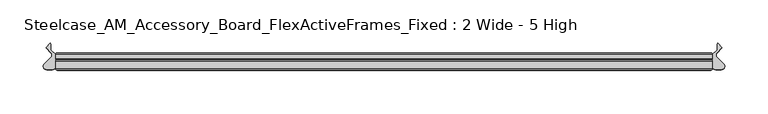
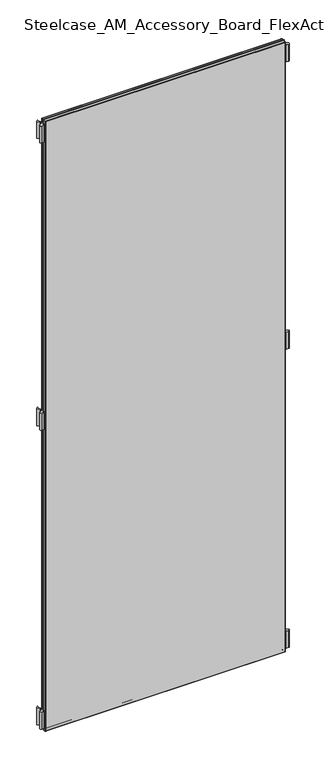
"""IFC4 building model written with IfcOpenShell, lengths in millimetres: furniture geometry, Steelcase_AM_Accessory_Board_FlexActiveFrames_Fixed : 2 Wide - 5 High."""

from ifc_helpers import new_model, si_unit, point, frame, frame_2d, origin, place, context, project, spatial, polyline, circle_curve, ellipse_curve, trimmed, segment, composite_curve, outline, extrude, source, transform, mapped, element, save
from ifc_brep_helpers import plane_surface, cylinder_surface, advanced_brep


def steelcase_am_accessory_board_flexactiveframes_fixed_2_wide_5_f7866904(model_context):
    return source(origin(), model_context, "Body", "SolidModel", [
        extrude(outline(composite_curve([segment(trimmed(circle_curve(frame_2d((766.2196763, -15.2513959)), 3.81), [point((768.9118703, -12.5554375))], [point((766.2196713, -19.0613959))], False, "CARTESIAN"), True, "CONTINUOUS"), segment(polyline([(766.2196713, -19.0613959), (759.713995, -19.0613873)]), True, "CONTINUOUS"), segment(trimmed(circle_curve(frame_2d((759.714, -15.2513873)), 3.81), [point((759.713995, -19.0613873))], [point((755.904, -15.2513873))], False, "CARTESIAN"), True, "CONTINUOUS"), segment(polyline([(755.904, -15.2513873), (755.904, -2.0686095), (761.4063592, 3.4250486), (761.4063592, 10.299411), (762.1123238, 11.2027231), (767.0660919, 6.2470172), (761.3290632, 0.3149559)]), True, "CONTINUOUS"), segment(trimmed(circle_curve(frame_2d((764.0677853, -2.3337233)), 3.81), [point((761.3290632, 0.3149559))], [point((761.3755914, -5.0296817))], True, "CARTESIAN"), True, "CONTINUOUS"), segment(polyline([(761.3755914, -5.0296817), (768.9118703, -12.5554375)]), True, "CONTINUOUS")], self_intersect=False)), frame((0.0, 0.0, 1104.4936), z_axis=(0.0, 0.0, 1.0), x_axis=(1.0, 0.0, 0.0)), (0.0, 0.0, 1.0), 55.88),
        extrude(outline(composite_curve([segment(polyline([(-13.0078703, -12.5554375), (-5.4715914, -5.0296817)]), True, "CONTINUOUS"), segment(trimmed(circle_curve(frame_2d((-8.1637853, -2.3337233)), 3.81), [point((-5.4715914, -5.0296817))], [point((-5.4250632, 0.3149559))], True, "CARTESIAN"), True, "CONTINUOUS"), segment(polyline([(-5.4250632, 0.3149559), (-11.1620919, 6.2470172), (-6.2083238, 11.2027231), (-5.5023592, 10.299411), (-5.5023592, 3.4250486), (0.0, -2.0686095), (0.0, -15.2513873)]), True, "CONTINUOUS"), segment(trimmed(circle_curve(frame_2d((-3.81, -15.2513873)), 3.81), [point((0.0, -15.2513873))], [point((-3.809995, -19.0613873))], False, "CARTESIAN"), True, "CONTINUOUS"), segment(polyline([(-3.809995, -19.0613873), (-10.3156713, -19.0613959)]), True, "CONTINUOUS"), segment(trimmed(circle_curve(frame_2d((-10.3156763, -15.2513959)), 3.81), [point((-10.3156713, -19.0613959))], [point((-13.0078703, -12.5554375))], False, "CARTESIAN"), True, "CONTINUOUS")], self_intersect=False)), frame((0.0, 0.0, 1104.4936), z_axis=(0.0, 0.0, 1.0), x_axis=(1.0, 0.0, 0.0)), (0.0, 0.0, 1.0), 55.88),
        extrude(outline(composite_curve([segment(trimmed(circle_curve(frame_2d((766.2196763, -15.2513959)), 3.81), [point((768.9118703, -12.5554375))], [point((766.2196713, -19.0613959))], False, "CARTESIAN"), True, "CONTINUOUS"), segment(polyline([(766.2196713, -19.0613959), (759.713995, -19.0613873)]), True, "CONTINUOUS"), segment(trimmed(circle_curve(frame_2d((759.714, -15.2513873)), 3.81), [point((759.713995, -19.0613873))], [point((755.904, -15.2513873))], False, "CARTESIAN"), True, "CONTINUOUS"), segment(polyline([(755.904, -15.2513873), (755.904, -2.0686095), (761.4063592, 3.4250486), (761.4063592, 10.299411), (762.1123238, 11.2027231), (767.0660919, 6.2470172), (761.3290632, 0.3149559)]), True, "CONTINUOUS"), segment(trimmed(circle_curve(frame_2d((764.0677853, -2.3337233)), 3.81), [point((761.3290632, 0.3149559))], [point((761.3755914, -5.0296817))], True, "CARTESIAN"), True, "CONTINUOUS"), segment(polyline([(761.3755914, -5.0296817), (768.9118703, -12.5554375)]), True, "CONTINUOUS")], self_intersect=False)), frame((0.0, 0.0, 110.0836), z_axis=(0.0, 0.0, 1.0), x_axis=(1.0, 0.0, 0.0)), (0.0, 0.0, 1.0), 55.88),
        extrude(outline(composite_curve([segment(trimmed(circle_curve(frame_2d((766.2196763, -15.2513959)), 3.81), [point((768.9118703, -12.5554375))], [point((766.2196713, -19.0613959))], False, "CARTESIAN"), True, "CONTINUOUS"), segment(polyline([(766.2196713, -19.0613959), (759.713995, -19.0613873)]), True, "CONTINUOUS"), segment(trimmed(circle_curve(frame_2d((759.714, -15.2513873)), 3.81), [point((759.713995, -19.0613873))], [point((755.904, -15.2513873))], False, "CARTESIAN"), True, "CONTINUOUS"), segment(polyline([(755.904, -15.2513873), (755.904, -2.0686095), (761.4063592, 3.4250486), (761.4063592, 10.299411), (762.1123238, 11.2027231), (767.0660919, 6.2470172), (761.3290632, 0.3149559)]), True, "CONTINUOUS"), segment(trimmed(circle_curve(frame_2d((764.0677853, -2.3337233)), 3.81), [point((761.3290632, 0.3149559))], [point((761.3755914, -5.0296817))], True, "CARTESIAN"), True, "CONTINUOUS"), segment(polyline([(761.3755914, -5.0296817), (768.9118703, -12.5554375)]), True, "CONTINUOUS")], self_intersect=False)), frame((0.0, 0.0, 2059.7516006), z_axis=(0.0, 0.0, 1.0), x_axis=(1.0, 0.0, 0.0)), (0.0, 0.0, 1.0), 55.9983261),
        extrude(outline(composite_curve([segment(polyline([(-13.0078703, -12.5554375), (-5.4715914, -5.0296817)]), True, "CONTINUOUS"), segment(trimmed(circle_curve(frame_2d((-8.1637853, -2.3337233)), 3.81), [point((-5.4715914, -5.0296817))], [point((-5.4250632, 0.3149559))], True, "CARTESIAN"), True, "CONTINUOUS"), segment(polyline([(-5.4250632, 0.3149559), (-11.1620919, 6.2470172), (-6.2083238, 11.2027231), (-5.5023592, 10.299411), (-5.5023592, 3.4250486), (0.0, -2.0686095), (0.0, -15.2513873)]), True, "CONTINUOUS"), segment(trimmed(circle_curve(frame_2d((-3.81, -15.2513873)), 3.81), [point((0.0, -15.2513873))], [point((-3.809995, -19.0613873))], False, "CARTESIAN"), True, "CONTINUOUS"), segment(polyline([(-3.809995, -19.0613873), (-10.3156713, -19.0613959)]), True, "CONTINUOUS"), segment(trimmed(circle_curve(frame_2d((-10.3156763, -15.2513959)), 3.81), [point((-10.3156713, -19.0613959))], [point((-13.0078703, -12.5554375))], False, "CARTESIAN"), True, "CONTINUOUS")], self_intersect=False)), frame((0.0, 0.0, 110.0836), z_axis=(0.0, 0.0, 1.0), x_axis=(1.0, 0.0, 0.0)), (0.0, 0.0, 1.0), 55.88),
        extrude(outline(composite_curve([segment(polyline([(-13.0078703, -12.5554375), (-5.4715914, -5.0296817)]), True, "CONTINUOUS"), segment(trimmed(circle_curve(frame_2d((-8.1637853, -2.3337233)), 3.81), [point((-5.4715914, -5.0296817))], [point((-5.4250632, 0.3149559))], True, "CARTESIAN"), True, "CONTINUOUS"), segment(polyline([(-5.4250632, 0.3149559), (-11.1620919, 6.2470172), (-6.2083238, 11.2027231), (-5.5023592, 10.299411), (-5.5023592, 3.4250486), (0.0, -2.0686095), (0.0, -15.2513873)]), True, "CONTINUOUS"), segment(trimmed(circle_curve(frame_2d((-3.81, -15.2513873)), 3.81), [point((0.0, -15.2513873))], [point((-3.809995, -19.0613873))], False, "CARTESIAN"), True, "CONTINUOUS"), segment(polyline([(-3.809995, -19.0613873), (-10.3156713, -19.0613959)]), True, "CONTINUOUS"), segment(trimmed(circle_curve(frame_2d((-10.3156763, -15.2513959)), 3.81), [point((-10.3156713, -19.0613959))], [point((-13.0078703, -12.5554375))], False, "CARTESIAN"), True, "CONTINUOUS")], self_intersect=False)), frame((0.0, 0.0, 2059.7516006), z_axis=(0.0, 0.0, 1.0), x_axis=(1.0, 0.0, 0.0)), (0.0, 0.0, 1.0), 55.9983261),
        extrude(outline(polyline([(754.4039947, -19.7016999), (1.5000053, -19.7016999), (1.5000053, -8.0000171), (754.4039947, -8.0000171), (754.4039947, -19.7016999)])), frame((0.0, 0.0, 100.1536053), z_axis=(0.0, 0.0, 1.0), x_axis=(1.0, 0.0, 0.0)), (0.0, 0.0, 1.0), 2025.5963893),
        advanced_brep(
        [(0.0, -9.5000224, 2127.25), (1.5000053, -8.0000171, 2125.7499947), (1.5000053, -8.0000171, 100.1536053), (0.0, -9.5000224, 98.6536), (0.0, -18.2016946, 2127.25), (0.0, -18.2016946, 98.6536), (1.5000053, -19.7016999, 2125.7499947), (1.5000053, -19.7016999, 100.1536053), (754.4039947, -8.0000171, 100.1536053), (755.904, -9.5000224, 98.6536), (755.904, -18.2016946, 98.6536), (754.4039947, -19.7016999, 100.1536053), (754.4039947, -8.0000171, 2125.7499947), (755.904, -9.5000224, 2127.25), (755.904, -18.2016946, 2127.25), (754.4039947, -19.7016999, 2125.7499947)],
        [
            (0, 1, ellipse_curve(frame((1.5000053, -9.5000224, 2125.7499947), z_axis=(-0.7071067811865475, 0.0, -0.7071067811865475), x_axis=(-0.7071067811865474, 0.0, 0.7071067811865476)), 2.1213279, 1.5000053)),
            (1, 2),
            (2, 3, ellipse_curve(frame((1.5000053, -9.5000224, 100.1536053), z_axis=(-0.7071067811865475, 0.0, 0.7071067811865475), x_axis=(0.7071067811865474, 0.0, 0.7071067811865476)), 2.1213279, 1.5000053)),
            (3, 0),
            (4, 0),
            (3, 5),
            (5, 4),
            (1, 6),
            (6, 7),
            (7, 2),
            (2, 8),
            (8, 9, ellipse_curve(frame((754.4039947, -9.5000224, 100.1536053), z_axis=(-0.7071067811865475, 0.0, -0.7071067811865475), x_axis=(-0.7071067811865476, 0.0, 0.7071067811865474)), 2.1213279, 1.5000053)),
            (9, 3),
            (9, 10),
            (10, 5),
            (7, 11),
            (11, 8),
            (8, 12),
            (12, 13, ellipse_curve(frame((754.4039947, -9.5000224, 2125.7499947), z_axis=(0.7071067811865475, 0.0, -0.7071067811865475), x_axis=(-0.7071067811865474, 0.0, -0.7071067811865476)), 2.1213279, 1.5000053)),
            (13, 9),
            (13, 14),
            (14, 10),
            (11, 15),
            (15, 12),
            (12, 1),
            (0, 13),
            (4, 14),
            (15, 6),
            (6, 4, ellipse_curve(frame((1.5000053, -18.2016946, 2125.7499947), z_axis=(-0.7071067811865475, 0.0, -0.7071067811865475), x_axis=(-0.7071067811865474, 0.0, 0.7071067811865476)), 2.1213279, 1.5000053)),
            (5, 7, ellipse_curve(frame((1.5000053, -18.2016946, 100.1536053), z_axis=(-0.7071067811865475, 0.0, 0.7071067811865475), x_axis=(0.7071067811865474, 0.0, 0.7071067811865476)), 2.1213279, 1.5000053)),
            (10, 11, ellipse_curve(frame((754.4039947, -18.2016946, 100.1536053), z_axis=(-0.7071067811865475, 0.0, -0.7071067811865475), x_axis=(-0.7071067811865476, 0.0, 0.7071067811865474)), 2.1213279, 1.5000053)),
            (14, 15, ellipse_curve(frame((754.4039947, -18.2016946, 2125.7499947), z_axis=(0.7071067811865475, 0.0, -0.7071067811865475), x_axis=(-0.7071067811865474, 0.0, -0.7071067811865476)), 2.1213279, 1.5000053)),
        ],
        [
            cylinder_surface(frame((1.5000053, -9.5000224, 2127.25), z_axis=(0.0, 0.0, 1.0), x_axis=(1.0, 0.0, 0.0)), 1.5000053),
            plane_surface(frame((0.0, -9.5000224, 2127.25), z_axis=(-1.0, 0.0, 0.0), x_axis=(0.0, 0.0, -1.0))),
            plane_surface(frame((1.5000053, -19.7016999, 2125.7499947), z_axis=(1.0, 0.0, 0.0), x_axis=(0.0, 0.0, -1.0))),
            cylinder_surface(frame((0.0, -9.5000224, 100.1536053), z_axis=(-1.0, 0.0, 0.0), x_axis=(0.0, 0.0, 1.0)), 1.5000053),
            plane_surface(frame((0.0, -9.5000224, 98.6536), z_axis=(0.0, 0.0, -1.0), x_axis=(1.0, 0.0, 0.0))),
            plane_surface(frame((1.5000053, -19.7016999, 100.1536053), z_axis=(0.0, 0.0, 1.0), x_axis=(1.0, 0.0, 0.0))),
            cylinder_surface(frame((754.4039947, -9.5000224, 98.6536), z_axis=(0.0, 0.0, -1.0), x_axis=(-1.0, 0.0, 0.0)), 1.5000053),
            plane_surface(frame((755.904, -9.5000224, 98.6536), z_axis=(1.0, 0.0, 0.0), x_axis=(0.0, 0.0, 1.0))),
            plane_surface(frame((754.4039947, -19.7016999, 100.1536053), z_axis=(-1.0, 0.0, 0.0), x_axis=(0.0, 0.0, 1.0))),
            cylinder_surface(frame((755.904, -9.5000224, 2125.7499947), z_axis=(1.0, 0.0, 0.0), x_axis=(0.0, 0.0, -1.0)), 1.5000053),
            plane_surface(frame((755.904, -9.5000224, 2127.25), z_axis=(0.0, 0.0, 1.0), x_axis=(-1.0, 0.0, 0.0))),
            plane_surface(frame((754.4039947, -19.7016999, 2125.7499947), z_axis=(0.0, 0.0, -1.0), x_axis=(-1.0, 0.0, 0.0))),
            cylinder_surface(frame((1.5000053, -18.2016946, 2127.25), z_axis=(0.0, 0.0, 1.0), x_axis=(1.0, 0.0, 0.0)), 1.5000053),
            cylinder_surface(frame((0.0, -18.2016946, 100.1536053), z_axis=(-1.0, 0.0, 0.0), x_axis=(0.0, 0.0, 1.0)), 1.5000053),
            cylinder_surface(frame((754.4039947, -18.2016946, 98.6536), z_axis=(0.0, 0.0, -1.0), x_axis=(-1.0, 0.0, 0.0)), 1.5000053),
            cylinder_surface(frame((755.904, -18.2016946, 2125.7499947), z_axis=(1.0, 0.0, 0.0), x_axis=(0.0, 0.0, -1.0)), 1.5000053),
        ],
        [
            (0, [[1, 2, 3, 4]]),
            (1, [[5, -4, 6, 7]]),
            (2, [[8, 9, 10, -2]]),
            (3, [[-3, 11, 12, 13]]),
            (4, [[-6, -13, 14, 15]]),
            (5, [[-10, 16, 17, -11]]),
            (6, [[-12, 18, 19, 20]]),
            (7, [[-14, -20, 21, 22]]),
            (8, [[-17, 23, 24, -18]]),
            (9, [[-19, 25, -1, 26]]),
            (10, [[-21, -26, -5, 27]]),
            (11, [[-24, 28, -8, -25]]),
            (12, [[29, -7, 30, -9]]),
            (13, [[-30, -15, 31, -16]]),
            (14, [[-31, -22, 32, -23]]),
            (15, [[-32, -27, -29, -28]]),
        ],
    ),
        extrude(outline(polyline([(754.4039947, -8.0000171), (1.5000053, -8.0000171), (1.5000053, 0.0), (754.4039947, 0.0), (754.4039947, -8.0000171)])), frame((0.0, 0.0, 100.1536053), z_axis=(0.0, 0.0, 1.0), x_axis=(1.0, 0.0, 0.0)), (0.0, 0.0, 1.0), 2025.5963893),
        advanced_brep(
        [(0.0, -1.5000053, 2127.25), (1.5000053, 0.0, 2125.7499947), (1.5000053, 0.0, 100.1536053), (0.0, -1.5000053, 98.6536), (0.0, -6.5000117, 2127.25), (0.0, -6.5000117, 98.6536), (1.5000053, -8.0000171, 2125.7499947), (1.5000053, -8.0000171, 100.1536053), (754.4039947, 0.0, 100.1536053), (755.904, -1.5000053, 98.6536), (755.904, -6.5000117, 98.6536), (754.4039947, -8.0000171, 100.1536053), (754.4039947, 0.0, 2125.7499947), (755.904, -1.5000053, 2127.25), (755.904, -6.5000117, 2127.25), (754.4039947, -8.0000171, 2125.7499947)],
        [
            (0, 1, ellipse_curve(frame((1.5000053, -1.5000053, 2125.7499947), z_axis=(-0.7071067811865475, 0.0, -0.7071067811865475), x_axis=(-0.7071067811865474, 0.0, 0.7071067811865476)), 2.1213279, 1.5000053)),
            (1, 2),
            (2, 3, ellipse_curve(frame((1.5000053, -1.5000053, 100.1536053), z_axis=(-0.7071067811865475, 0.0, 0.7071067811865475), x_axis=(0.7071067811865474, 0.0, 0.7071067811865476)), 2.1213279, 1.5000053)),
            (3, 0),
            (4, 0),
            (3, 5),
            (5, 4),
            (6, 4, ellipse_curve(frame((1.5000053, -6.5000117, 2125.7499947), z_axis=(-0.7071067811865475, 0.0, -0.7071067811865475), x_axis=(-0.7071067811865474, 0.0, 0.7071067811865476)), 2.1213279, 1.5000053)),
            (5, 7, ellipse_curve(frame((1.5000053, -6.5000117, 100.1536053), z_axis=(-0.7071067811865475, 0.0, 0.7071067811865475), x_axis=(0.7071067811865474, 0.0, 0.7071067811865476)), 2.1213279, 1.5000053)),
            (7, 6),
            (1, 6),
            (7, 2),
            (2, 8),
            (8, 9, ellipse_curve(frame((754.4039947, -1.5000053, 100.1536053), z_axis=(-0.7071067811865475, 0.0, -0.7071067811865475), x_axis=(-0.7071067811865476, 0.0, 0.7071067811865474)), 2.1213279, 1.5000053)),
            (9, 3),
            (9, 10),
            (10, 5),
            (10, 11, ellipse_curve(frame((754.4039947, -6.5000117, 100.1536053), z_axis=(-0.7071067811865475, 0.0, -0.7071067811865475), x_axis=(-0.7071067811865476, 0.0, 0.7071067811865474)), 2.1213279, 1.5000053)),
            (11, 7),
            (11, 8),
            (8, 12),
            (12, 13, ellipse_curve(frame((754.4039947, -1.5000053, 2125.7499947), z_axis=(0.7071067811865475, 0.0, -0.7071067811865475), x_axis=(-0.7071067811865474, 0.0, -0.7071067811865476)), 2.1213279, 1.5000053)),
            (13, 9),
            (13, 14),
            (14, 10),
            (14, 15, ellipse_curve(frame((754.4039947, -6.5000117, 2125.7499947), z_axis=(0.7071067811865475, 0.0, -0.7071067811865475), x_axis=(-0.7071067811865474, 0.0, -0.7071067811865476)), 2.1213279, 1.5000053)),
            (15, 11),
            (15, 12),
            (12, 1),
            (0, 13),
            (4, 14),
            (6, 15),
        ],
        [
            cylinder_surface(frame((1.5000053, -1.5000053, 2127.25), z_axis=(0.0, 0.0, 1.0), x_axis=(1.0, 0.0, 0.0)), 1.5000053),
            plane_surface(frame((0.0, -1.5000053, 2127.25), z_axis=(-1.0, 0.0, 0.0), x_axis=(0.0, 0.0, -1.0))),
            cylinder_surface(frame((1.5000053, -6.5000117, 2127.25), z_axis=(0.0, 0.0, 1.0), x_axis=(1.0, 0.0, 0.0)), 1.5000053),
            plane_surface(frame((1.5000053, -8.0000171, 2125.7499947), z_axis=(1.0, 0.0, 0.0), x_axis=(0.0, 0.0, -1.0))),
            cylinder_surface(frame((0.0, -1.5000053, 100.1536053), z_axis=(-1.0, 0.0, 0.0), x_axis=(0.0, 0.0, 1.0)), 1.5000053),
            plane_surface(frame((0.0, -1.5000053, 98.6536), z_axis=(0.0, 0.0, -1.0), x_axis=(1.0, 0.0, 0.0))),
            cylinder_surface(frame((0.0, -6.5000117, 100.1536053), z_axis=(-1.0, 0.0, 0.0), x_axis=(0.0, 0.0, 1.0)), 1.5000053),
            plane_surface(frame((1.5000053, -8.0000171, 100.1536053), z_axis=(0.0, 0.0, 1.0), x_axis=(1.0, 0.0, 0.0))),
            cylinder_surface(frame((754.4039947, -1.5000053, 98.6536), z_axis=(0.0, 0.0, -1.0), x_axis=(-1.0, 0.0, 0.0)), 1.5000053),
            plane_surface(frame((755.904, -1.5000053, 98.6536), z_axis=(1.0, 0.0, 0.0), x_axis=(0.0, 0.0, 1.0))),
            cylinder_surface(frame((754.4039947, -6.5000117, 98.6536), z_axis=(0.0, 0.0, -1.0), x_axis=(-1.0, 0.0, 0.0)), 1.5000053),
            plane_surface(frame((754.4039947, -8.0000171, 100.1536053), z_axis=(-1.0, 0.0, 0.0), x_axis=(0.0, 0.0, 1.0))),
            cylinder_surface(frame((755.904, -1.5000053, 2125.7499947), z_axis=(1.0, 0.0, 0.0), x_axis=(0.0, 0.0, -1.0)), 1.5000053),
            plane_surface(frame((755.904, -1.5000053, 2127.25), z_axis=(0.0, 0.0, 1.0), x_axis=(-1.0, 0.0, 0.0))),
            cylinder_surface(frame((755.904, -6.5000117, 2125.7499947), z_axis=(1.0, 0.0, 0.0), x_axis=(0.0, 0.0, -1.0)), 1.5000053),
            plane_surface(frame((754.4039947, -8.0000171, 2125.7499947), z_axis=(0.0, 0.0, -1.0), x_axis=(-1.0, 0.0, 0.0))),
        ],
        [
            (0, [[1, 2, 3, 4]]),
            (1, [[5, -4, 6, 7]]),
            (2, [[8, -7, 9, 10]]),
            (3, [[11, -10, 12, -2]]),
            (4, [[-3, 13, 14, 15]]),
            (5, [[-6, -15, 16, 17]]),
            (6, [[-9, -17, 18, 19]]),
            (7, [[-12, -19, 20, -13]]),
            (8, [[-14, 21, 22, 23]]),
            (9, [[-16, -23, 24, 25]]),
            (10, [[-18, -25, 26, 27]]),
            (11, [[-20, -27, 28, -21]]),
            (12, [[-22, 29, -1, 30]]),
            (13, [[-24, -30, -5, 31]]),
            (14, [[-26, -31, -8, 32]]),
            (15, [[-28, -32, -11, -29]]),
        ],
    ),
    ])


if __name__ == "__main__":
    model = new_model("IFC4")
    model_context = context("Model", 3, world=origin())
    ifc_project = project(units=[si_unit("LENGTHUNIT", "METRE", prefix="MILLI")], contexts=[model_context])
    site = spatial("IfcSite", under=ifc_project)
    building = spatial("IfcBuilding", under=site)
    placement = place(None, origin())
    steelcase_am_accessory_board_flexactiveframes_fixed_2_wide_5_shape = steelcase_am_accessory_board_flexactiveframes_fixed_2_wide_5_f7866904(model_context)
    element("IfcFurniture", 1, ObjectType="Steelcase_AM_Accessory_Board_FlexActiveFrames_Fixed : 2 Wide - 5 High", at=placement, inside=building, context=model_context, shape_type="MappedRepresentation", body=[
        mapped(steelcase_am_accessory_board_flexactiveframes_fixed_2_wide_5_shape, transform((0.0, 0.0, 0.0), x_axis=(1.0, 0.0, 0.0), y_axis=(0.0, 1.0, 0.0), z_axis=(0.0, 0.0, 1.0))),
    ])
    save(model, "model.ifc")
